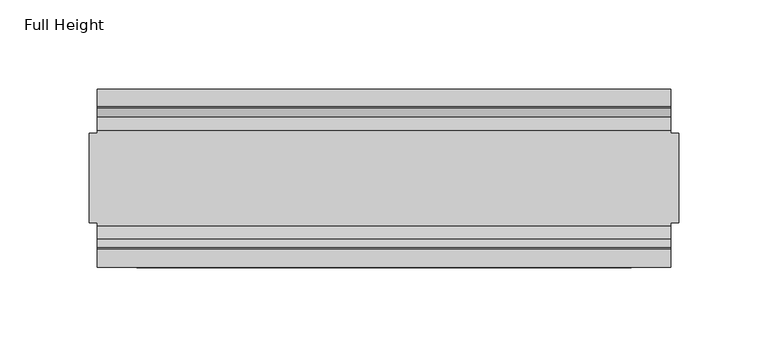
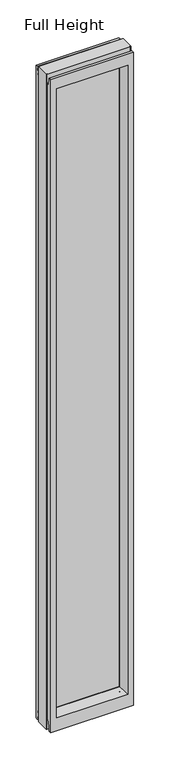
"""IFC4 building model written with IfcOpenShell, lengths in millimetres: plate geometry, Full Height."""

from ifc_helpers import new_model, si_unit, frame, origin, place, context, project, spatial, polyline, circle_curve, outline, extrude, source, transform, mapped, element, save
from ifc_brep_helpers import plane_surface, cylinder_surface, revolved_surface, advanced_brep


def full_height_c60f4d15(model_context):
    return source(origin(), model_context, "Body", "SolidModel", [
        advanced_brep(
        [(165.6461, 25.146, 2688.336), (165.6461, -25.146, 2688.336), (165.6461, -25.146, 0.0), (165.6461, 25.146, 0.0), (-165.6461, -25.146, 2688.336), (-165.6461, 25.146, 2688.336), (-165.6461, 25.146, 0.0), (-165.6461, -25.146, 0.0), (161.0741, 25.146, 2688.336), (161.0741, 26.67, 2688.336), (-161.0741, 26.67, 2688.336), (-161.0741, 25.146, 2688.336), (-161.0741, -25.146, 2688.336), (-161.0741, -26.67, 2688.336), (161.0741, -26.67, 2688.336), (161.0741, -25.146, 2688.336), (161.0741, -25.146, 0.0), (161.0741, -26.67, 0.0), (-161.0741, -26.67, 0.0), (-161.0741, -25.146, 0.0), (-161.0741, 25.146, 0.0), (-161.0741, 26.67, 0.0), (161.0741, 26.67, 0.0), (161.0741, 25.146, 0.0), (-161.0741, 40.7946686, 0.0), (-161.0741, 50.0, 0.0), (161.0741, 50.0, 0.0), (161.0741, 40.7946686, 0.0), (-161.0741, 26.67, 36.4542208), (161.0741, 26.67, 36.4542208), (-161.0741, 39.5246686, 1.27), (-161.0741, 39.5246686, 7.9074686), (-161.0741, 39.043018, 8.6755976), (-161.0741, 36.9464913, 11.6561909), (-161.0741, 34.2686707, 36.8568054), (-161.0741, 26.67, 2651.125), (-161.0741, 34.2321175, 2650.4634004), (-161.0741, 39.1867152, 2678.5623199), (-161.0741, 39.9371387, 2679.192), (-161.0741, 50.0, 2679.192), (-161.0741, -26.67, 36.4542208), (-161.0741, -34.2686707, 36.8568054), (-161.0741, -36.9464913, 11.6561909), (-161.0741, -39.043018, 8.6755976), (-161.0741, -39.5246686, 7.9074686), (-161.0741, -39.5246686, 1.27), (-161.0741, -40.7946686, 0.0), (-161.0741, -50.0, 0.0), (-161.0741, -50.0, 2679.192), (-161.0741, -39.9371387, 2679.192), (-161.0741, -39.1867152, 2678.5623199), (-161.0741, -34.2321175, 2650.4634004), (-161.0741, -26.67, 2651.125), (161.0741, -50.0, 0.0), (161.0741, -50.0, 2679.192), (-138.9761, -50.0, 2634.615), (138.9761, -50.0, 2634.615), (138.9761, -50.0, 52.8372208), (-138.9761, -50.0, 52.8372208), (161.0741, 50.0, 2679.192), (-138.9761, 50.0, 52.8372208), (138.9761, 50.0, 52.8372208), (138.9761, 50.0, 2634.615), (-138.9761, 50.0, 2634.615), (-133.0071, -6.1006519, 58.8062208), (-133.0071, -6.1006519, 2628.646), (-133.0071, 6.1006519, 2628.646), (-133.0071, 6.1006519, 58.8062208), (133.0071, 6.1006519, 58.8062208), (133.0071, 6.1006519, 2628.646), (133.0071, -6.1006519, 2628.646), (133.0071, -6.1006519, 58.8062208), (161.0741, -40.7946686, 0.0), (161.0741, -39.5246686, 1.27), (161.0741, -39.5246686, 7.9074686), (161.0741, -39.043018, 8.6755976), (161.0741, -36.9464913, 11.6561909), (161.0741, -34.2686707, 36.8568054), (161.0741, -26.67, 36.4542208), (161.0741, -26.67, 2651.125), (161.0741, -34.2321175, 2650.4634004), (161.0741, -39.1867152, 2678.5623199), (161.0741, -39.9371387, 2679.192), (161.0741, 39.9371387, 2679.192), (161.0741, 39.1867152, 2678.5623199), (161.0741, 34.2321175, 2650.4634004), (161.0741, 26.67, 2651.125), (161.0741, 34.2686707, 36.8568054), (161.0741, 36.9464913, 11.6561909), (161.0741, 39.043018, 8.6755976), (161.0741, 39.5246686, 7.9074686), (161.0741, 39.5246686, 1.27)],
        [
            (0, 1),
            (1, 2),
            (2, 3),
            (3, 0),
            (4, 5),
            (5, 6),
            (6, 7),
            (7, 4),
            (0, 8),
            (8, 9),
            (9, 10),
            (10, 11),
            (11, 5),
            (4, 12),
            (12, 13),
            (13, 14),
            (14, 15),
            (15, 1),
            (2, 16),
            (16, 17),
            (17, 18),
            (18, 19),
            (19, 7),
            (6, 20),
            (20, 21),
            (21, 22),
            (22, 23),
            (23, 3),
            (23, 8),
            (15, 16),
            (19, 12),
            (11, 20),
            (24, 25),
            (25, 26),
            (26, 27),
            (27, 24),
            (21, 28),
            (28, 29),
            (29, 22),
            (24, 30, circle_curve(frame((-161.0741, 40.7946686, 1.27), z_axis=(-1.0, 0.0, 0.0), x_axis=(0.0, -1.0, 0.0)), 1.27)),
            (30, 31),
            (31, 32, circle_curve(frame((-161.0741, 38.671343, 7.9074686), z_axis=(1.0, 0.0, 0.0), x_axis=(0.0, -1.0, 0.0)), 0.8533256)),
            (32, 33, circle_curve(frame((-161.0741, 40.6770502, 12.0526006), z_axis=(-1.0, 0.0, 0.0), x_axis=(0.0, -1.0, 0.0)), 3.751561)),
            (33, 34),
            (34, 28, circle_curve(frame((-161.0741, 30.48, 36.4542208), z_axis=(1.0, 0.0, 0.0), x_axis=(0.0, -1.0, 0.0)), 3.81)),
            (10, 35),
            (35, 36, circle_curve(frame((-161.0741, 30.48, 2651.125), z_axis=(1.0, 0.0, 0.0), x_axis=(0.0, -1.0, 0.0)), 3.81)),
            (36, 37),
            (37, 38, circle_curve(frame((-161.0741, 39.9371387, 2678.43), z_axis=(-1.0, 0.0, 0.0), x_axis=(0.0, -1.0, 0.0)), 0.762)),
            (38, 39),
            (39, 25),
            (18, 40),
            (40, 41, circle_curve(frame((-161.0741, -30.48, 36.4542208), z_axis=(1.0, 0.0, 0.0), x_axis=(0.0, -1.0, 0.0)), 3.81)),
            (41, 42),
            (42, 43, circle_curve(frame((-161.0741, -40.6770502, 12.0526006), z_axis=(-1.0, 0.0, 0.0), x_axis=(0.0, -1.0, 0.0)), 3.751561)),
            (43, 44, circle_curve(frame((-161.0741, -38.671343, 7.9074686), z_axis=(1.0, 0.0, 0.0), x_axis=(0.0, -1.0, 0.0)), 0.8533256)),
            (44, 45),
            (45, 46, circle_curve(frame((-161.0741, -40.7946686, 1.27), z_axis=(-1.0, 0.0, 0.0), x_axis=(0.0, -1.0, 0.0)), 1.27)),
            (46, 47),
            (47, 48),
            (48, 49),
            (49, 50, circle_curve(frame((-161.0741, -39.9371387, 2678.43), z_axis=(-1.0, 0.0, 0.0), x_axis=(0.0, -1.0, 0.0)), 0.762)),
            (50, 51),
            (51, 52, circle_curve(frame((-161.0741, -30.48, 2651.125), z_axis=(1.0, 0.0, 0.0), x_axis=(0.0, -1.0, 0.0)), 3.81)),
            (52, 13),
            (47, 53),
            (53, 54),
            (54, 48),
            (55, 56),
            (56, 57),
            (57, 58),
            (58, 55),
            (39, 59),
            (59, 26),
            (60, 61),
            (61, 62),
            (62, 63),
            (63, 60),
            (58, 64),
            (64, 65),
            (65, 55),
            (63, 66),
            (66, 67),
            (67, 60),
            (61, 68),
            (68, 69),
            (69, 62),
            (70, 71),
            (71, 57),
            (56, 70),
            (53, 72),
            (72, 73, circle_curve(frame((161.0741, -40.7946686, 1.27), z_axis=(1.0, 0.0, 0.0), x_axis=(0.0, -1.0, 0.0)), 1.27)),
            (73, 74),
            (74, 75, circle_curve(frame((161.0741, -38.671343, 7.9074686), z_axis=(-1.0, 0.0, 0.0), x_axis=(0.0, -1.0, 0.0)), 0.8533256)),
            (75, 76, circle_curve(frame((161.0741, -40.6770502, 12.0526006), z_axis=(1.0, 0.0, 0.0), x_axis=(0.0, -1.0, 0.0)), 3.751561)),
            (76, 77),
            (77, 78, circle_curve(frame((161.0741, -30.48, 36.4542208), z_axis=(-1.0, 0.0, 0.0), x_axis=(0.0, -1.0, 0.0)), 3.81)),
            (78, 17),
            (14, 79),
            (79, 80, circle_curve(frame((161.0741, -30.48, 2651.125), z_axis=(-1.0, 0.0, 0.0), x_axis=(0.0, -1.0, 0.0)), 3.81)),
            (80, 81),
            (81, 82, circle_curve(frame((161.0741, -39.9371387, 2678.43), z_axis=(1.0, 0.0, 0.0), x_axis=(0.0, -1.0, 0.0)), 0.762)),
            (82, 54),
            (59, 83),
            (83, 84, circle_curve(frame((161.0741, 39.9371387, 2678.43), z_axis=(1.0, 0.0, 0.0), x_axis=(0.0, -1.0, 0.0)), 0.762)),
            (84, 85),
            (85, 86, circle_curve(frame((161.0741, 30.48, 2651.125), z_axis=(-1.0, 0.0, 0.0), x_axis=(0.0, -1.0, 0.0)), 3.81)),
            (86, 9),
            (29, 87, circle_curve(frame((161.0741, 30.48, 36.4542208), z_axis=(-1.0, 0.0, 0.0), x_axis=(0.0, -1.0, 0.0)), 3.81)),
            (87, 88),
            (88, 89, circle_curve(frame((161.0741, 40.6770502, 12.0526006), z_axis=(1.0, 0.0, 0.0), x_axis=(0.0, -1.0, 0.0)), 3.751561)),
            (89, 90, circle_curve(frame((161.0741, 38.671343, 7.9074686), z_axis=(-1.0, 0.0, 0.0), x_axis=(0.0, -1.0, 0.0)), 0.8533256)),
            (90, 91),
            (91, 27, circle_curve(frame((161.0741, 40.7946686, 1.27), z_axis=(1.0, 0.0, 0.0), x_axis=(0.0, -1.0, 0.0)), 1.27)),
            (91, 30),
            (90, 31),
            (89, 32),
            (88, 33),
            (87, 34),
            (78, 40),
            (41, 77),
            (76, 42),
            (75, 43),
            (74, 44),
            (73, 45),
            (72, 46),
            (71, 64),
            (67, 68),
            (86, 35),
            (85, 36),
            (84, 37),
            (83, 38),
            (69, 66),
            (65, 70),
            (82, 49),
            (81, 50),
            (80, 51),
            (79, 52),
            (65, 66),
            (69, 70),
            (71, 68),
            (67, 64),
        ],
        [
            plane_surface(frame((165.6461, -25.146, 2688.336), z_axis=(1.0, 0.0, 0.0), x_axis=(0.0, 0.0, -1.0))),
            plane_surface(frame((-165.6461, 25.146, 2688.336), z_axis=(-1.0, 0.0, 0.0), x_axis=(0.0, 0.0, -1.0))),
            plane_surface(frame((161.0741, 25.146, 2688.336), z_axis=(0.0, 0.0, 1.0), x_axis=(-1.0, 0.0, 0.0))),
            plane_surface(frame((161.0741, 25.146, 0.0), z_axis=(0.0, 0.0, -1.0), x_axis=(1.0, 0.0, 0.0))),
            plane_surface(frame((165.6461, 25.146, 2688.336), z_axis=(0.0, 1.0, 0.0), x_axis=(0.0, 0.0, -1.0))),
            plane_surface(frame((161.0741, -25.146, 2688.336), z_axis=(0.0, -1.0, 0.0), x_axis=(0.0, 0.0, -1.0))),
            plane_surface(frame((-165.6461, -25.146, 2688.336), z_axis=(0.0, -1.0, 0.0), x_axis=(0.0, 0.0, -1.0))),
            plane_surface(frame((-161.0741, 25.146, 2688.336), z_axis=(0.0, 1.0, 0.0), x_axis=(0.0, 0.0, -1.0))),
            plane_surface(frame((-161.0741, 50.0, 0.0), z_axis=(0.0, 0.0, -1.0), x_axis=(1.0, 0.0, 0.0))),
            plane_surface(frame((-161.0741, 26.67, 36.4542208), z_axis=(0.0, 1.0, 0.0), x_axis=(1.0, 0.0, 0.0))),
            plane_surface(frame((-161.0741, 50.0, 2646.4006), z_axis=(-1.0, 0.0, 0.0), x_axis=(0.0, 0.0, -1.0))),
            plane_surface(frame((-161.0741, -50.0, 2646.4006), z_axis=(0.0, -1.0, 0.0), x_axis=(0.0, 0.0, -1.0))),
            plane_surface(frame((-138.9761, 50.0, 2646.4006), z_axis=(0.0, 1.0, 0.0), x_axis=(0.0, 0.0, -1.0))),
            plane_surface(frame((-138.9761, -50.0, 2646.4006), z_axis=(0.9908822943533606, -0.13473039277393942, 0.0), x_axis=(0.0, 0.0, -1.0))),
            plane_surface(frame((-133.0071, 6.1006519, 2646.4006), z_axis=(0.9908822943533612, 0.13473039277393595, 0.0), x_axis=(0.0, 0.0, -1.0))),
            plane_surface(frame((138.9761, 50.0, 2646.4006), z_axis=(-0.9908822943533607, 0.1347303927739388, 0.0), x_axis=(0.0, 0.0, -1.0))),
            plane_surface(frame((133.0071, -6.1006519, 2646.4006), z_axis=(-0.9908822943533565, -0.13473039277397006, 0.0), x_axis=(0.0, 0.0, -1.0))),
            plane_surface(frame((161.0741, -50.0, 2646.4006), z_axis=(1.0, 0.0, 0.0), x_axis=(0.0, 0.0, -1.0))),
            cylinder_surface(frame((161.0741, 40.7946686, 1.27), z_axis=(-1.0, 0.0, 0.0), x_axis=(0.0, -1.0, 0.0)), 1.27),
            plane_surface(frame((-161.0741, 39.5246686, 1.27), z_axis=(0.0, -1.0, 0.0), x_axis=(1.0, 0.0, 0.0))),
            revolved_surface(polyline([(161.0741, 37.8180174, 7.9074686), (-161.0741, 37.8180174, 7.9074686)]), (161.0741, 38.671343, 7.9074686), (1.0, 0.0, 0.0)),
            cylinder_surface(frame((161.0741, 40.6770502, 12.0526006), z_axis=(-1.0, 0.0, 0.0), x_axis=(0.0, -1.0, 0.0)), 3.751561),
            plane_surface(frame((-161.0741, 36.9464913, 11.6561909), z_axis=(0.0, -0.9944017560866669, -0.10566526151840618), x_axis=(1.0, 0.0, 0.0))),
            plane_surface(frame((-161.0741, -26.67, 0.0), z_axis=(0.0, -1.0, 0.0), x_axis=(1.0, 0.0, 0.0))),
            plane_surface(frame((-161.0741, -34.2686707, 36.8568054), z_axis=(0.0, 0.9944017560866217, -0.10566526151883039), x_axis=(1.0, 0.0, 0.0))),
            cylinder_surface(frame((161.0741, -40.6770502, 12.0526006), z_axis=(-1.0, 0.0, 0.0), x_axis=(0.0, -1.0, 0.0)), 3.751561),
            revolved_surface(polyline([(161.0741, -39.5246686, 7.9074686), (-161.0741, -39.5246686, 7.9074686)]), (161.0741, -38.671343, 7.9074686), (1.0, 0.0, 0.0)),
            plane_surface(frame((-161.0741, -39.5246686, 7.9074686), z_axis=(0.0, 1.0, 0.0), x_axis=(1.0, 0.0, 0.0))),
            cylinder_surface(frame((161.0741, -40.7946686, 1.27), z_axis=(-1.0, 0.0, 0.0), x_axis=(0.0, -1.0, 0.0)), 1.27),
            plane_surface(frame((-161.0741, -40.7946686, 0.0), z_axis=(0.0, 0.0, -1.0), x_axis=(1.0, 0.0, 0.0))),
            plane_surface(frame((-161.0741, -50.0, 52.8372208), z_axis=(0.0, -0.13473039277394738, 0.9908822943533596), x_axis=(1.0, 0.0, 0.0))),
            plane_surface(frame((-161.0741, 6.1006519, 58.8062208), z_axis=(0.0, 0.1347303927739993, 0.9908822943533525), x_axis=(1.0, 0.0, 0.0))),
            revolved_surface(polyline([(161.0741, 26.67, 36.4542208), (-161.0741, 26.67, 36.4542208)]), (161.0741, 30.48, 36.4542208), (1.0, 0.0, 0.0)),
            revolved_surface(polyline([(161.0741, -34.29, 36.4542208), (-161.0741, -34.29, 36.4542208)]), (161.0741, -30.48, 36.4542208), (1.0, 0.0, 0.0)),
            plane_surface(frame((-161.0741, 26.67, 2688.336), z_axis=(0.0, 1.0, 0.0), x_axis=(1.0, 0.0, 0.0))),
            revolved_surface(polyline([(161.0741, 26.67, 2651.125), (-161.0741, 26.67, 2651.125)]), (-165.6461, 30.48, 2651.125), (1.0, 0.0, 0.0)),
            plane_surface(frame((-161.0741, 34.2321175, 2650.4634004), z_axis=(0.0, -0.9848077530113107, 0.17364817767201965), x_axis=(1.0, 0.0, 0.0))),
            cylinder_surface(frame((-165.6461, 39.9371387, 2678.43), z_axis=(-1.0, 0.0, 0.0), x_axis=(0.0, -1.0, 0.0)), 0.762),
            plane_surface(frame((-161.0741, 39.9371387, 2679.192), z_axis=(0.0, 0.0, 1.0), x_axis=(1.0, 0.0, 0.0))),
            plane_surface(frame((-161.0741, 50.0, 2634.615), z_axis=(0.0, 0.1347303927734498, -0.9908822943534272), x_axis=(1.0, 0.0, 0.0))),
            plane_surface(frame((-161.0741, -6.1006519, 2628.646), z_axis=(0.0, -0.13473039277247661, -0.9908822943535596), x_axis=(1.0, 0.0, 0.0))),
            plane_surface(frame((-161.0741, -50.0, 2679.192), z_axis=(0.0, 0.0, 1.0), x_axis=(1.0, 0.0, 0.0))),
            cylinder_surface(frame((-165.6461, -39.9371387, 2678.43), z_axis=(-1.0, 0.0, 0.0), x_axis=(0.0, -1.0, 0.0)), 0.762),
            plane_surface(frame((-161.0741, -39.1867152, 2678.5623199), z_axis=(0.0, 0.9848077530103814, 0.17364817767728996), x_axis=(1.0, 0.0, 0.0))),
            revolved_surface(polyline([(161.0741, -34.29, 2651.125), (-161.0741, -34.29, 2651.125)]), (-165.6461, -30.48, 2651.125), (1.0, 0.0, 0.0)),
            plane_surface(frame((-161.0741, -26.67, 2651.125), z_axis=(0.0, -1.0, 0.0), x_axis=(1.0, 0.0, 0.0))),
            plane_surface(frame((-161.0741, 6.1006519, 2628.646), z_axis=(0.0, 0.0, -1.0), x_axis=(1.0, 0.0, 0.0))),
            plane_surface(frame((-161.0741, -6.1006519, 58.8062208), z_axis=(0.0, 0.0, 1.0), x_axis=(1.0, 0.0, 0.0))),
            plane_surface(frame((-133.0071, -6.1006519, 2646.4006), z_axis=(1.0, 0.0, 0.0), x_axis=(0.0, 0.0, -1.0))),
            plane_surface(frame((133.0071, 6.1006519, 2646.4006), z_axis=(-1.0, 0.0, 0.0), x_axis=(0.0, 0.0, -1.0))),
        ],
        [
            (0, [[1, 2, 3, 4]]),
            (1, [[5, 6, 7, 8]]),
            (2, [[9, 10, 11, 12, 13, -5, 14, 15, 16, 17, 18, -1]]),
            (3, [[-3, 19, 20, 21, 22, 23, -7, 24, 25, 26, 27, 28]]),
            (4, [[29, -9, -4, -28]]),
            (5, [[-18, 30, -19, -2]]),
            (6, [[31, -14, -8, -23]]),
            (7, [[-13, 32, -24, -6]]),
            (8, [[33, 34, 35, 36]]),
            (9, [[37, 38, 39, -26]]),
            (10, [[-33, 40, 41, 42, 43, 44, 45, -37, -25, -32, -12, 46, 47, 48, 49, 50, 51]]),
            (10, [[-22, 52, 53, 54, 55, 56, 57, 58, 59, 60, 61, 62, 63, 64, 65, -15, -31]]),
            (11, [[-60, 66, 67, 68], [69, 70, 71, 72]]),
            (12, [[-51, 73, 74, -34], [75, 76, 77, 78]]),
            (13, [[-72, 79, 80, 81]]),
            (14, [[-78, 82, 83, 84]]),
            (15, [[-76, 85, 86, 87]]),
            (16, [[88, 89, -70, 90]]),
            (17, [[-67, 91, 92, 93, 94, 95, 96, 97, 98, -20, -30, -17, 99, 100, 101, 102, 103]]),
            (17, [[-74, 104, 105, 106, 107, 108, -10, -29, -27, -39, 109, 110, 111, 112, 113, 114, -35]]),
            (18, [[-40, -36, -114, 115]]),
            (19, [[-41, -115, -113, 116]]),
            (20, [[-42, -116, -112, 117]]),
            (21, [[-43, -117, -111, 118]]),
            (22, [[-44, -118, -110, 119]]),
            (23, [[-52, -21, -98, 120]]),
            (24, [[-54, 121, -96, 122]]),
            (25, [[-55, -122, -95, 123]]),
            (26, [[-56, -123, -94, 124]]),
            (27, [[-57, -124, -93, 125]]),
            (28, [[-58, -125, -92, 126]]),
            (29, [[-59, -126, -91, -66]]),
            (30, [[-71, -89, 127, -79]]),
            (31, [[-75, -84, 128, -85]]),
            (32, [[-45, -119, -109, -38]]),
            (33, [[-53, -120, -97, -121]]),
            (34, [[-46, -11, -108, 129]]),
            (35, [[-47, -129, -107, 130]]),
            (36, [[-48, -130, -106, 131]]),
            (37, [[-49, -131, -105, 132]]),
            (38, [[-50, -132, -104, -73]]),
            (39, [[-77, -87, 133, -82]]),
            (40, [[-69, -81, 134, -90]]),
            (41, [[-61, -68, -103, 135]]),
            (42, [[-62, -135, -102, 136]]),
            (43, [[-63, -136, -101, 137]]),
            (44, [[-64, -137, -100, 138]]),
            (45, [[-65, -138, -99, -16]]),
            (46, [[-134, 139, -133, 140]]),
            (47, [[-127, 141, -128, 142]]),
            (48, [[-83, -139, -80, -142]]),
            (49, [[-88, -140, -86, -141]]),
        ],
    ),
        extrude(outline(polyline([(-133.0071, 3.175), (133.0071, 3.175), (133.0071, -3.175), (-133.0071, -3.175), (-133.0071, 3.175)])), frame((0.0, 0.0, 58.8062208), z_axis=(0.0, 0.0, 1.0), x_axis=(1.0, 0.0, 0.0)), (0.0, 0.0, 1.0), 2569.8397792),
    ])


if __name__ == "__main__":
    model = new_model("IFC4")
    model_context = context("Model", 3, world=origin())
    ifc_project = project(units=[si_unit("LENGTHUNIT", "METRE", prefix="MILLI")], contexts=[model_context])
    site = spatial("IfcSite", under=ifc_project)
    building = spatial("IfcBuilding", under=site)
    placement = place(None, origin())
    full_height_shape = full_height_c60f4d15(model_context)
    element("IfcPlate", 1, ObjectType="Full Height", at=placement, inside=building, context=model_context, shape_type="MappedRepresentation", body=[
        mapped(full_height_shape, transform((0.0, 0.0, 0.0), x_axis=(1.0, 0.0, 0.0), y_axis=(0.0, 1.0, 0.0), z_axis=(0.0, 0.0, 1.0))),
    ])
    save(model, "model.ifc")
